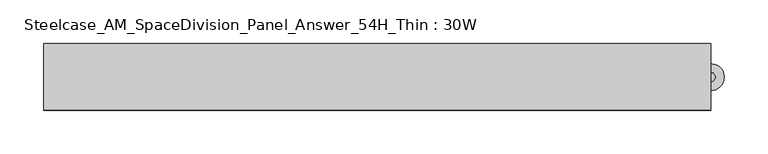
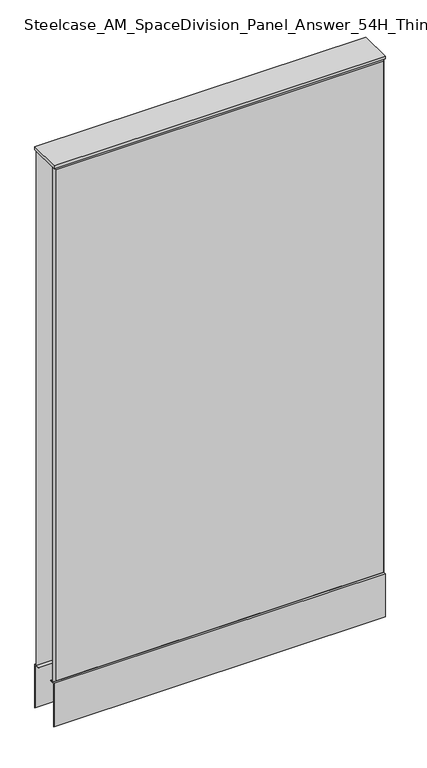
"""IFC4 building model written with IfcOpenShell, lengths in millimetres: furniture geometry, Steelcase_AM_SpaceDivision_Panel_Answer_54H_Thin : 30W."""

import ifcopenshell
import ifcopenshell.guid

model = None  # the IFC model being written
_history = None  # IfcOwnerHistory: only IFC2X3 demands one
_inside = {}  # id of a spatial element -> (the spatial element, [elements in it])
_under = {}  # id of a project, library or spatial element -> (it, [spatial elements below it])
_declared = {}  # id of a project -> (the project, [libraries it declares])
_typed = {}  # id of a type object -> (the type object, [elements of that type])
_made_of = {}  # id of a material, layer set ... -> (it, [elements and type objects made of it])


def new_model(schema):
    """Start an empty IFC model of exactly this schema.

    Asked for "IFC4X3", IfcOpenShell would pick the latest addendum, in which some entities
    have other attributes; the version numbers below select the first issue.
    IFC2X3 requires an IfcOwnerHistory on every rooted entity: one is made here for all.
    """
    global model, _history
    if schema == "IFC4X3":
        model = ifcopenshell.file(schema_version=(4, 3, 0, 0))
    else:
        model = ifcopenshell.file(schema=schema)
    _inside.clear()
    _under.clear()
    _declared.clear()
    _typed.clear()
    _made_of.clear()
    _history = None
    if model.schema == "IFC2X3":
        org = make("IfcOrganization", Name="unknown")
        user = make(
            "IfcPersonAndOrganization",
            ThePerson=make("IfcPerson", FamilyName="unknown"),
            TheOrganization=org,
        )
        app = make(
            "IfcApplication",
            ApplicationDeveloper=org,
            Version="unknown",
            ApplicationFullName="unknown",
            ApplicationIdentifier="unknown",
        )
        _history = make(
            "IfcOwnerHistory",
            OwningUser=user,
            OwningApplication=app,
            ChangeAction="ADDED",
            CreationDate=0,
        )
    return model


def make(cls, **values):
    """One entity of the class cls with the attributes given. An attribute that is None is left unset."""
    return model.create_entity(
        cls, **{name: value for name, value in values.items() if value is not None}
    )


def rooted(cls, **values):
    """An entity with a GlobalId (a new one), such as an element, a storey or a relation."""
    return make(cls, GlobalId=ifcopenshell.guid.new(), OwnerHistory=_history, **values)


def si_unit(unit_type, name, prefix=None):
    """IfcSIUnit, for example si_unit("LENGTHUNIT", "METRE", prefix="MILLI")."""
    return make("IfcSIUnit", UnitType=unit_type, Prefix=prefix, Name=name)


def assignment(units):
    """IfcUnitAssignment: the units of a project."""
    return None if units is None else make("IfcUnitAssignment", Units=units)


def point(xyz):
    """IfcCartesianPoint."""
    return None if xyz is None else make("IfcCartesianPoint", Coordinates=xyz)


def direction(xyz):
    """IfcDirection."""
    return None if xyz is None else make("IfcDirection", DirectionRatios=xyz)


def frame(location, z_axis=None, x_axis=None):
    """IfcAxis2Placement3D, a coordinate frame: its origin and axes. An axis left out is left unset."""
    return make(
        "IfcAxis2Placement3D",
        Location=point(location),
        Axis=direction(z_axis),
        RefDirection=direction(x_axis),
    )


def frame_2d(location, x_axis=None):
    """IfcAxis2Placement2D, a coordinate frame in the plane: its origin and x axis."""
    return make(
        "IfcAxis2Placement2D", Location=point(location), RefDirection=direction(x_axis)
    )


def origin():
    """The frame at (0, 0, 0) with its axes left unset."""
    return frame((0.0, 0.0, 0.0))


def place(relative_to, where):
    """IfcLocalPlacement: puts the frame where relative to a parent placement (None: the world)."""
    return make(
        "IfcLocalPlacement", PlacementRelTo=relative_to, RelativePlacement=where
    )


def context(
    kind, dimensions, precision=None, world=None, true_north=None, identifier=None
):
    """IfcGeometricRepresentationContext, for example the 3D "Model" context."""
    return make(
        "IfcGeometricRepresentationContext",
        ContextIdentifier=identifier,
        ContextType=kind,
        CoordinateSpaceDimension=dimensions,
        Precision=precision,
        WorldCoordinateSystem=world,
        TrueNorth=true_north,
    )


def project(units=None, contexts=None):
    """IfcProject with its units and contexts."""
    return rooted(
        "IfcProject",
        Name="project",
        RepresentationContexts=contexts,
        UnitsInContext=assignment(units),
    )


def spatial(cls, under=None, at=None, **own):
    """A site, building, storey or space (cls), placed at a placement, below another one or the project."""
    s = rooted(cls, ObjectPlacement=at, **own)
    if under is not None:
        _under.setdefault(under.id(), (under, []))[1].append(s)
    return s


def polyline(points):
    """IfcPolyline through the points."""
    return make("IfcPolyline", Points=[point(p) for p in points])


def circle_curve(where, radius):
    """IfcCircle in the frame where."""
    return make("IfcCircle", Position=where, Radius=radius)


def trimmed(basis, trim1, trim2, sense, master):
    """IfcTrimmedCurve: the piece of a basis curve between two trims."""
    return make(
        "IfcTrimmedCurve",
        BasisCurve=basis,
        Trim1=trim1,
        Trim2=trim2,
        SenseAgreement=sense,
        MasterRepresentation=master,
    )


def segment(curve, same_sense, transition):
    """IfcCompositeCurveSegment."""
    return make(
        "IfcCompositeCurveSegment",
        Transition=transition,
        SameSense=same_sense,
        ParentCurve=curve,
    )


def composite_curve(segments, self_intersect=None):
    """IfcCompositeCurve: segments joined end to end."""
    return make("IfcCompositeCurve", Segments=segments, SelfIntersect=self_intersect)


def outline(outer, holes=None, kind="AREA"):
    """IfcArbitraryClosedProfileDef: a profile drawn as a closed curve; with holes, ...WithVoids."""
    if holes is None:
        return make("IfcArbitraryClosedProfileDef", ProfileType=kind, OuterCurve=outer)
    return make(
        "IfcArbitraryProfileDefWithVoids",
        ProfileType=kind,
        OuterCurve=outer,
        InnerCurves=holes,
    )


def extrude(swept, where, along, depth):
    """IfcExtrudedAreaSolid: the profile swept, set in the frame where, extruded along a direction by depth."""
    return make(
        "IfcExtrudedAreaSolid",
        SweptArea=swept,
        Position=where,
        ExtrudedDirection=direction(along),
        Depth=depth,
    )


def faces_of(points, faces, orient=None, outer=None):
    """IfcFace entities. A face is a list of loops; a loop is a list of indices into points, from 0.

    orient and outer hold one flag for each loop. By default every Orientation is true, the
    first loop of a face is its IfcFaceOuterBound and the others are IfcFaceBound.
    """
    made = []
    for i, loops in enumerate(faces):
        bounds = []
        for j, loop in enumerate(loops):
            is_outer = j == 0 if outer is None else outer[i][j]
            bounds.append(
                make(
                    "IfcFaceOuterBound" if is_outer else "IfcFaceBound",
                    Bound=make("IfcPolyLoop", Polygon=[points[k] for k in loop]),
                    Orientation=True if orient is None else orient[i][j],
                )
            )
        made.append(make("IfcFace", Bounds=bounds))
    return made


def faceted_brep(points, faces, orient=None, outer=None, voids=None):
    """IfcFacetedBrep: a solid bounded by flat faces; with voids (closed shells), ...WithVoids."""
    shared = [point(p) for p in points]
    hull = make("IfcClosedShell", CfsFaces=faces_of(shared, faces, orient, outer))
    if voids is None:
        return make("IfcFacetedBrep", Outer=hull)
    return make(
        "IfcFacetedBrepWithVoids",
        Outer=hull,
        Voids=[
            make(cls, CfsFaces=faces_of(shared, fs, o, b)) for cls, fs, o, b in voids
        ],
    )


def shape(context_of_items, identifier, shape_type, items):
    """IfcShapeRepresentation: the items that make up one representation, for example the "Body"."""
    return make(
        "IfcShapeRepresentation",
        ContextOfItems=context_of_items,
        RepresentationIdentifier=identifier,
        RepresentationType=shape_type,
        Items=items,
    )


def source(mapping_origin, context_of_items, identifier, shape_type, items):
    """IfcRepresentationMap: a shape defined once, which mapped items show again and again."""
    return make(
        "IfcRepresentationMap",
        MappingOrigin=mapping_origin,
        MappedRepresentation=shape(context_of_items, identifier, shape_type, items),
    )


def transform(
    local_origin,
    x_axis=None,
    y_axis=None,
    z_axis=None,
    scale=None,
    scale2=None,
    scale3=None,
    uniform=True,
):
    """IfcCartesianTransformationOperator3D, or its non-uniform kind. x_axis, y_axis, z_axis: its Axis1, 2, 3."""
    if uniform:
        return make(
            "IfcCartesianTransformationOperator3D",
            Axis1=direction(x_axis),
            Axis2=direction(y_axis),
            LocalOrigin=point(local_origin),
            Scale=scale,
            Axis3=direction(z_axis),
        )
    return make(
        "IfcCartesianTransformationOperator3DnonUniform",
        Axis1=direction(x_axis),
        Axis2=direction(y_axis),
        LocalOrigin=point(local_origin),
        Scale=scale,
        Axis3=direction(z_axis),
        Scale2=scale2,
        Scale3=scale3,
    )


def mapped(mapping_source, mapping_target):
    """IfcMappedItem: shows the shape of a source again, moved by a transform."""
    return make(
        "IfcMappedItem", MappingSource=mapping_source, MappingTarget=mapping_target
    )


def made_of(thing, what):
    """Note that an element or type object is made of a material, layer set ...; save() writes the relation."""
    if what is not None:
        _made_of.setdefault(what.id(), (what, []))[1].append(thing)
    return thing


def element(
    cls,
    number,
    at=None,
    inside=None,
    cuts=None,
    type_object=None,
    material=None,
    context=None,
    identifier="Body",
    shape_type=None,
    held_by="IfcProductDefinitionShape",
    body=None,
    shapes=None,
    **own,
):
    """One element of the class cls, such as IfcWall. Its Tag is "e" and its number.

    at: its placement. inside: the storey or other place that contains it. cuts: it is an
    opening in that element (IfcRelVoidsElement). A single representation is given by context,
    identifier, shape_type and body (its items); several are given by shapes. held_by: the class
    of the entity that holds the representations. save() writes the other relations.
    """
    e = rooted(cls, Tag="e%d" % number, ObjectPlacement=at, **own)
    if body is not None:
        shapes = [shape(context, identifier, shape_type, body)]
    if shapes is not None:
        e.Representation = make(held_by, Representations=shapes)
    if inside is not None:
        _inside.setdefault(inside.id(), (inside, []))[1].append(e)
    if cuts is not None:
        rooted(
            "IfcRelVoidsElement", RelatingBuildingElement=cuts, RelatedOpeningElement=e
        )
    if type_object is not None:
        _typed.setdefault(type_object.id(), (type_object, []))[1].append(e)
    return made_of(e, material)


def aggregate(whole, parts):
    """IfcRelAggregates: a whole, such as a stair, and the parts it consists of."""
    return rooted("IfcRelAggregates", RelatingObject=whole, RelatedObjects=parts)


def save(model, path):
    """Write the relations noted so far, then the file.

    IfcRelAggregates (storeys below a building ...), IfcRelContainedInSpatialStructure (elements
    in a storey), IfcRelDefinesByType, IfcRelAssociatesMaterial and IfcRelDeclares: one each for
    every whole, place, type object, material and project.
    """
    for whole, parts in _under.values():
        aggregate(whole, parts)
    for where, things in _inside.values():
        rooted(
            "IfcRelContainedInSpatialStructure",
            RelatedElements=things,
            RelatingStructure=where,
        )
    for kind, things in _typed.values():
        rooted("IfcRelDefinesByType", RelatedObjects=things, RelatingType=kind)
    for what, things in _made_of.values():
        rooted("IfcRelAssociatesMaterial", RelatedObjects=things, RelatingMaterial=what)
    for by, libraries in _declared.values():
        rooted("IfcRelDeclares", RelatingContext=by, RelatedDefinitions=libraries)
    model.write(path)


def steelcase_am_spacedivision_panel_answer_54h_thin_30w_875db45c(model_context):
    return source(origin(), model_context, "Body", "SolidModel", [
        extrude(outline(polyline([(-37.3075215, 119.8575157), (-37.3075215, 15.494), (-38.1000194, 15.494), (-38.1000194, 120.65), (-25.4000011, 120.65), (-25.4000011, 119.8575157), (-37.3075215, 119.8575157)])), frame((-381.0, 0.0, 0.0), z_axis=(1.0, 0.0, 0.0), x_axis=(0.0, 1.0, 0.0)), (0.0, 0.0, 1.0), 762.0),
        extrude(outline(polyline([(37.3075215, 119.8575157), (25.4000011, 119.8575157), (25.4000011, 120.65), (38.1000194, 120.65), (38.1000194, 15.494), (37.3075215, 15.494), (37.3075215, 119.8575157)])), frame((-381.0, 0.0, 0.0), z_axis=(1.0, 0.0, 0.0), x_axis=(0.0, 1.0, 0.0)), (0.0, 0.0, 1.0), 762.0),
        extrude(outline(composite_curve([segment(trimmed(circle_curve(frame_2d((381.0, 1.94e-05)), 5.08), [point((386.08, 1.94e-05))], [point((375.92, 1.94e-05))], False, "CARTESIAN"), True, "CONTINUOUS"), segment(trimmed(circle_curve(frame_2d((381.0, 1.94e-05)), 5.08), [point((375.92, 1.94e-05))], [point((386.08, 1.94e-05))], False, "CARTESIAN"), True, "CONTINUOUS")], self_intersect=False)), frame((0.0, 0.0, 5.0799671), z_axis=(0.0, 0.0, 1.0), x_axis=(1.0, 0.0, 0.0)), (0.0, 0.0, 1.0), 10.414),
        extrude(outline(composite_curve([segment(trimmed(circle_curve(frame_2d((381.0, 1.94e-05)), 15.24), [point((396.24, 1.94e-05))], [point((365.76, 1.94e-05))], False, "CARTESIAN"), True, "CONTINUOUS"), segment(trimmed(circle_curve(frame_2d((381.0, 1.94e-05)), 15.24), [point((365.76, 1.94e-05))], [point((396.24, 1.94e-05))], False, "CARTESIAN"), True, "CONTINUOUS")], self_intersect=False)), frame((0.0, 0.0, -3.29e-05), z_axis=(0.0, 0.0, 1.0), x_axis=(1.0, 0.0, 0.0)), (0.0, 0.0, 1.0), 5.08),
        faceted_brep([(-376.174, -38.0960552, 1366.774), (-376.174, -38.0960552, 125.476), (376.174, -38.0960552, 125.476), (376.174, -38.0960552, 1366.774), (-381.0, -33.2700552, 1371.6), (381.0, -33.2700552, 1371.6), (381.0, -33.2700552, 120.65), (-381.0, -33.2700552, 120.65)], [[[0, 1, 2, 3]], [[4, 5, 6, 7]], [[4, 0, 3, 5]], [[5, 3, 2, 6]], [[6, 2, 1, 7]], [[7, 1, 0, 4]]]),
        faceted_brep([(376.174, 38.0960552, 1366.774), (376.174, 38.0960552, 125.476), (-376.174, 38.0960552, 125.476), (-376.174, 38.0960552, 1366.774), (381.0, 33.2700552, 1371.6), (-381.0, 33.2700552, 1371.6), (-381.0, 33.2700552, 120.65), (381.0, 33.2700552, 120.65)], [[[0, 1, 2, 3]], [[4, 5, 6, 7]], [[4, 0, 3, 5]], [[5, 3, 2, 6]], [[6, 2, 1, 7]], [[7, 1, 0, 4]]]),
        extrude(outline(polyline([(381.0, -38.1000194), (-381.0, -38.1000194), (-381.0, 38.1000194), (381.0, 38.1000194), (381.0, -38.1000194)])), frame((0.0, 0.0, 1371.6), z_axis=(0.0, 0.0, 1.0), x_axis=(1.0, 0.0, 0.0)), (0.0, 0.0, 1.0), 6.35),
    ])


if __name__ == "__main__":
    model = new_model("IFC4")
    model_context = context("Model", 3, world=origin())
    ifc_project = project(units=[si_unit("LENGTHUNIT", "METRE", prefix="MILLI")], contexts=[model_context])
    site = spatial("IfcSite", under=ifc_project)
    building = spatial("IfcBuilding", under=site)
    placement = place(None, origin())
    steelcase_am_spacedivision_panel_answer_54h_thin_30w_shape = steelcase_am_spacedivision_panel_answer_54h_thin_30w_875db45c(model_context)
    element("IfcFurniture", 1, ObjectType="Steelcase_AM_SpaceDivision_Panel_Answer_54H_Thin : 30W", at=placement, inside=building, context=model_context, shape_type="MappedRepresentation", body=[
        mapped(steelcase_am_spacedivision_panel_answer_54h_thin_30w_shape, transform((0.0, 0.0, 0.0), x_axis=(1.0, 0.0, 0.0), y_axis=(0.0, 1.0, 0.0), z_axis=(0.0, 0.0, 1.0))),
    ])
    save(model, "model.ifc")
